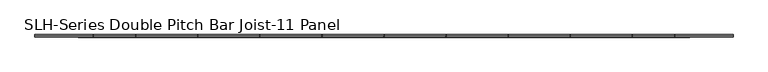
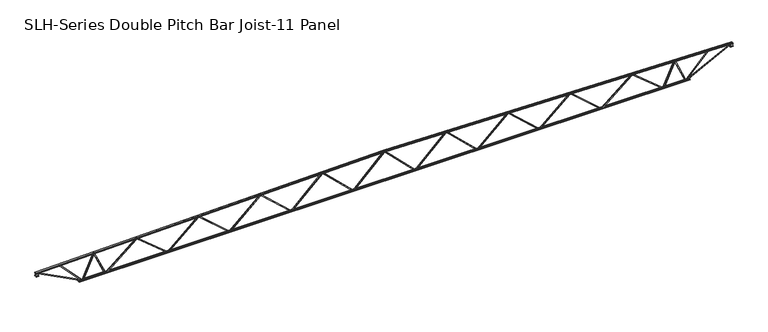
"""IFC4 building model written with IfcOpenShell, lengths in millimetres: beam geometry, SLH-Series Double Pitch Bar Joist-11 Panel."""

from ifc_helpers import new_model, si_unit, frame, origin, place, context, project, spatial, polyline, outline, extrude, faceted_brep, source, transform, mapped, element, save


def slh_series_double_pitch_bar_joist_11_panel_d93a10d2(model_context):
    return source(origin(), model_context, "Body", "SolidModel", [
        faceted_brep([(12801.6005483, 0.0, -863.6), (12801.6005483, 0.0, -914.4), (12801.6005483, -12.7, -914.4), (12801.6005483, -12.7, -863.6), (12817.8412945, 0.0, -863.6), (14596.0777309, 0.0, 610.4397819), (14656.3233291, 0.0, 609.1851802), (14655.2656592, 0.0, 558.3961918), (14613.9332808, 0.0, 559.2569298), (12836.1587055, 0.0, -914.4), (12836.1587055, -12.7, -914.4), (12905.2963134, -12.7, -857.0895196), (12897.1913876, -12.7, -847.3119853), (14592.0008334, -12.7, 557.572368), (14600.1057592, -12.7, 547.7948337), (14613.9332808, -12.7, 559.2569298), (14655.2656592, -12.7, 558.3961918), (14656.3233291, -12.7, 609.1851802), (14596.0777309, -12.7, 610.4397819), (12817.8412945, -12.7, -863.6), (14600.1057592, -50.8, 547.7948337), (12905.2963134, -50.8, -857.0895196), (12897.1913876, -50.8, -847.3119853), (14592.0008334, -50.8, 557.572368)], [[[0, 1, 2, 3]], [[1, 0, 4, 5, 6, 7, 8, 9]], [[2, 1, 9, 10]], [[3, 2, 10, 11, 12, 13, 14, 15, 16, 17, 18, 19]], [[0, 3, 19, 4]], [[9, 8, 15, 14, 20, 21, 11, 10]], [[5, 4, 19, 18]], [[7, 6, 17, 16]], [[8, 7, 16, 15]], [[6, 5, 18, 17]], [[11, 21, 22, 12]], [[13, 23, 20, 14]], [[22, 21, 20, 23]], [[12, 22, 23, 13]]]),
        faceted_brep([(16459.200586, 12.7, -863.6), (16459.200586, 0.0, -863.6), (16459.200586, 0.0, -914.4), (16459.200586, 12.7, -914.4), (16442.9536443, 12.7, -863.6), (16442.9536443, 0.0, -863.6), (14665.1773799, 0.0, 609.0007964), (14605.5343408, 0.0, 610.24285), (14604.4766709, 0.0, 559.4538617), (14646.4116084, 0.0, 558.5805756), (16424.6463557, 0.0, -914.4), (16424.6463557, 12.7, -914.4), (16355.4885392, 12.7, -857.1139074), (16363.5900161, 12.7, -847.3335152), (14668.3446486, 12.7, 556.9037492), (14660.2431717, 12.7, 547.123357), (14646.4116084, 12.7, 558.5805756), (14604.4766709, 12.7, 559.4538617), (14605.5343408, 12.7, 610.24285), (14665.1773799, 12.7, 609.0007964), (16355.4885392, 50.8, -857.1139074), (16363.5900161, 50.8, -847.3335152), (14660.2431717, 50.8, 547.123357), (14668.3446486, 50.8, 556.9037492)], [[[0, 1, 2, 3]], [[1, 0, 4, 5]], [[2, 1, 5, 6, 7, 8, 9, 10]], [[3, 2, 10, 11]], [[0, 3, 11, 12, 13, 14, 15, 16, 17, 18, 19, 4]], [[5, 4, 19, 6]], [[8, 7, 18, 17]], [[7, 6, 19, 18]], [[9, 8, 17, 16]], [[20, 21, 13, 12]], [[22, 15, 14, 23]], [[21, 20, 22, 23]], [[13, 21, 23, 14]], [[20, 12, 11, 10, 9, 16, 15, 22]]]),
        faceted_brep([(9144.0005483, 0.0, -863.6), (9144.0005483, 0.0, -914.4), (9144.0005483, -12.7, -914.4), (9144.0005483, -12.7, -863.6), (9159.8828503, 0.0, -863.6), (10938.116566, 0.0, 686.6160461), (10998.7233291, 0.0, 685.3539232), (10997.6656592, 0.0, 634.5649348), (10956.6944457, 0.0, 635.4181517), (9178.9171497, 0.0, -914.4), (9178.9171497, -12.7, -914.4), (9246.6086066, -12.7, -855.3884192), (9238.2631088, -12.7, -845.8154016), (10934.8106565, -12.7, 633.1888531), (10943.1561543, -12.7, 623.6158355), (10956.6944457, -12.7, 635.4181517), (10997.6656592, -12.7, 634.5649348), (10998.7233291, -12.7, 685.3539232), (10938.116566, -12.7, 686.6160461), (9159.8828503, -12.7, -863.6), (10943.1561543, -50.8, 623.6158355), (9246.6086066, -50.8, -855.3884192), (9238.2631088, -50.8, -845.8154016), (10934.8106565, -50.8, 633.1888531)], [[[0, 1, 2, 3]], [[1, 0, 4, 5, 6, 7, 8, 9]], [[2, 1, 9, 10]], [[3, 2, 10, 11, 12, 13, 14, 15, 16, 17, 18, 19]], [[0, 3, 19, 4]], [[9, 8, 15, 14, 20, 21, 11, 10]], [[5, 4, 19, 18]], [[7, 6, 17, 16]], [[8, 7, 16, 15]], [[6, 5, 18, 17]], [[11, 21, 22, 12]], [[13, 23, 20, 14]], [[22, 21, 20, 23]], [[12, 22, 23, 13]]]),
        faceted_brep([(12801.600586, 12.7, -863.6), (12801.600586, 0.0, -863.6), (12801.600586, 0.0, -914.4), (12801.600586, 12.7, -914.4), (12785.7122535, 12.7, -863.6), (12785.7122535, 0.0, -863.6), (11007.9332225, 0.0, 685.1621291), (10947.9343408, 0.0, 686.4115931), (10946.8766709, 0.0, 635.6226047), (10988.4557659, 0.0, 634.7567289), (12766.6877465, 0.0, -914.4), (12766.6877465, 12.7, -914.4), (12698.9763422, 12.7, -855.4113085), (12707.3186029, 12.7, -845.8354699), (11010.3403075, 12.7, 632.5348293), (11001.9980467, 12.7, 622.9589906), (10988.4557659, 12.7, 634.7567289), (10946.8766709, 12.7, 635.6226047), (10947.9343408, 12.7, 686.4115931), (11007.9332225, 12.7, 685.1621291), (12698.9763422, 50.8, -855.4113085), (12707.3186029, 50.8, -845.8354699), (11001.9980467, 50.8, 622.9589906), (11010.3403075, 50.8, 632.5348293)], [[[0, 1, 2, 3]], [[1, 0, 4, 5]], [[2, 1, 5, 6, 7, 8, 9, 10]], [[3, 2, 10, 11]], [[0, 3, 11, 12, 13, 14, 15, 16, 17, 18, 19, 4]], [[5, 4, 19, 6]], [[8, 7, 18, 17]], [[7, 6, 19, 18]], [[9, 8, 17, 16]], [[20, 21, 13, 12]], [[22, 15, 14, 23]], [[21, 20, 22, 23]], [[13, 21, 23, 14]], [[20, 12, 11, 10, 9, 16, 15, 22]]]),
        faceted_brep([(5486.4005483, 0.0, -863.6), (5486.4005483, 0.0, -914.4), (5486.4005483, -12.7, -914.4), (5486.4005483, -12.7, -863.6), (5501.9361494, 0.0, -863.6), (7280.1671323, 0.0, 762.792066), (7341.1233291, 0.0, 761.5226662), (7340.0656592, 0.0, 710.7336778), (7299.4438793, 0.0, 711.5796178), (5521.6638506, 0.0, -914.4), (5521.6638506, -12.7, -914.4), (5587.9299471, -12.7, -853.792208), (5579.3587109, -12.7, -844.4207667), (7277.6194239, -12.7, 708.8295006), (7286.19066, -12.7, 699.4580594), (7299.4438793, -12.7, 711.5796178), (7340.0656592, -12.7, 710.7336778), (7341.1233291, -12.7, 761.5226662), (7280.1671323, -12.7, 762.792066), (5501.9361494, -12.7, -863.6), (7286.19066, -50.8, 699.4580594), (5587.9299471, -50.8, -853.792208), (5579.3587109, -50.8, -844.4207667), (7277.6194239, -50.8, 708.8295006)], [[[0, 1, 2, 3]], [[1, 0, 4, 5, 6, 7, 8, 9]], [[2, 1, 9, 10]], [[3, 2, 10, 11, 12, 13, 14, 15, 16, 17, 18, 19]], [[0, 3, 19, 4]], [[9, 8, 15, 14, 20, 21, 11, 10]], [[5, 4, 19, 18]], [[7, 6, 17, 16]], [[8, 7, 16, 15]], [[6, 5, 18, 17]], [[11, 21, 22, 12]], [[13, 23, 20, 14]], [[22, 21, 20, 23]], [[12, 22, 23, 13]]]),
        faceted_brep([(9144.000586, 12.7, -863.6), (9144.000586, 0.0, -863.6), (9144.000586, 0.0, -914.4), (9144.000586, 12.7, -914.4), (9128.4591155, 12.7, -863.6), (9128.4591155, 0.0, -863.6), (7350.6773093, 0.0, 761.3237066), (7290.3343408, 0.0, 762.5803361), (7289.2766709, 0.0, 711.7913477), (7330.511679, 0.0, 710.9326375), (9108.7408845, 0.0, -914.4), (9108.7408845, 12.7, -914.4), (9042.4551543, 12.7, -853.8136817), (9051.0233536, 12.7, -844.4394638), (7352.3370244, 12.7, 708.1895917), (7343.768825, 12.7, 698.8153738), (7330.511679, 12.7, 710.9326375), (7289.2766709, 12.7, 711.7913477), (7290.3343408, 12.7, 762.5803361), (7350.6773093, 12.7, 761.3237066), (9042.4551543, 50.8, -853.8136817), (9051.0233536, 50.8, -844.4394638), (7343.768825, 50.8, 698.8153738), (7352.3370244, 50.8, 708.1895917)], [[[0, 1, 2, 3]], [[1, 0, 4, 5]], [[2, 1, 5, 6, 7, 8, 9, 10]], [[3, 2, 10, 11]], [[0, 3, 11, 12, 13, 14, 15, 16, 17, 18, 19, 4]], [[5, 4, 19, 6]], [[8, 7, 18, 17]], [[7, 6, 19, 18]], [[9, 8, 17, 16]], [[20, 21, 13, 12]], [[22, 15, 14, 23]], [[21, 20, 22, 23]], [[13, 21, 23, 14]], [[20, 12, 11, 10, 9, 16, 15, 22]]]),
        faceted_brep([(1828.8005483, 0.0, -863.6), (1828.8005483, 0.0, -914.4), (1828.8005483, -12.7, -914.4), (1828.8005483, -12.7, -863.6), (1844.0009054, 0.0, -863.6), (3622.2291509, 0.0, 838.9678474), (3683.5233291, 0.0, 837.6914092), (3682.4656592, 0.0, 786.9024209), (3642.1818608, 0.0, 787.7413224), (1864.3990946, 0.0, -914.4), (1864.3990946, -12.7, -914.4), (1929.2640419, -12.7, -852.294939), (1920.48106, -12.7, -843.1216501), (3620.4258893, -12.7, 784.493599), (3629.2088713, -12.7, 775.3203102), (3642.1818608, -12.7, 787.7413224), (3682.4656592, -12.7, 786.9024209), (3683.5233291, -12.7, 837.6914092), (3622.2291509, -12.7, 838.9678474), (1844.0009054, -12.7, -863.6), (3629.2088713, -50.8, 775.3203102), (1929.2640419, -50.8, -852.294939), (1920.48106, -50.8, -843.1216501), (3620.4258893, -50.8, 784.493599)], [[[0, 1, 2, 3]], [[1, 0, 4, 5, 6, 7, 8, 9]], [[2, 1, 9, 10]], [[3, 2, 10, 11, 12, 13, 14, 15, 16, 17, 18, 19]], [[0, 3, 19, 4]], [[9, 8, 15, 14, 20, 21, 11, 10]], [[5, 4, 19, 18]], [[7, 6, 17, 16]], [[8, 7, 16, 15]], [[6, 5, 18, 17]], [[11, 21, 22, 12]], [[13, 23, 20, 14]], [[22, 21, 20, 23]], [[12, 22, 23, 13]]]),
        faceted_brep([(5486.400586, 12.7, -863.6), (5486.400586, 0.0, -863.6), (5486.400586, 0.0, -914.4), (5486.400586, 12.7, -914.4), (5471.1945165, 12.7, -863.6), (5471.1945165, 0.0, -863.6), (3693.4099343, 0.0, 837.4855227), (3632.7343408, 0.0, 838.7490791), (3631.6766709, 0.0, 787.9600907), (3672.579054, 0.0, 787.1083073), (5450.8054835, 0.0, -914.4), (5450.8054835, 12.7, -914.4), (5385.9212589, 12.7, -852.3150791), (5394.7013926, 12.7, -843.1390641), (3694.3360327, 12.7, 783.8673382), (3685.555899, 12.7, 774.6913231), (3672.579054, 12.7, 787.1083073), (3631.6766709, 12.7, 787.9600907), (3632.7343408, 12.7, 838.7490791), (3693.4099343, 12.7, 837.4855227), (5385.9212589, 50.8, -852.3150791), (5394.7013926, 50.8, -843.1390641), (3685.555899, 50.8, 774.6913231), (3694.3360327, 50.8, 783.8673382)], [[[0, 1, 2, 3]], [[1, 0, 4, 5]], [[2, 1, 5, 6, 7, 8, 9, 10]], [[3, 2, 10, 11]], [[0, 3, 11, 12, 13, 14, 15, 16, 17, 18, 19, 4]], [[5, 4, 19, 6]], [[8, 7, 18, 17]], [[7, 6, 19, 18]], [[9, 8, 17, 16]], [[20, 21, 13, 12]], [[22, 15, 14, 23]], [[21, 20, 22, 23]], [[13, 21, 23, 14]], [[20, 12, 11, 10, 9, 16, 15, 22]]]),
        faceted_brep([(-1828.8005483, 0.0, -863.6), (-1828.8005483, 0.0, -914.4), (-1828.8005483, 12.7, -914.4), (-1828.8005483, 12.7, -863.6), (-1844.0009054, 0.0, -863.6), (-3622.2291509, 0.0, 838.9678474), (-3683.5233291, 0.0, 837.6914092), (-3682.4656592, 0.0, 786.9024209), (-3642.1818608, 0.0, 787.7413224), (-1864.3990946, 0.0, -914.4), (-1864.3990946, 12.7, -914.4), (-1929.2640419, 12.7, -852.294939), (-1920.48106, 12.7, -843.1216501), (-3620.4258893, 12.7, 784.493599), (-3629.2088713, 12.7, 775.3203102), (-3642.1818608, 12.7, 787.7413224), (-3682.4656592, 12.7, 786.9024209), (-3683.5233291, 12.7, 837.6914092), (-3622.2291509, 12.7, 838.9678474), (-1844.0009054, 12.7, -863.6), (-3629.2088713, 50.8, 775.3203102), (-1929.2640419, 50.8, -852.294939), (-1920.48106, 50.8, -843.1216501), (-3620.4258893, 50.8, 784.493599)], [[[0, 1, 2, 3]], [[1, 0, 4, 5, 6, 7, 8, 9]], [[2, 1, 9, 10]], [[3, 2, 10, 11, 12, 13, 14, 15, 16, 17, 18, 19]], [[0, 3, 19, 4]], [[9, 8, 15, 14, 20, 21, 11, 10]], [[5, 4, 19, 18]], [[7, 6, 17, 16]], [[8, 7, 16, 15]], [[6, 5, 18, 17]], [[11, 21, 22, 12]], [[13, 23, 20, 14]], [[22, 21, 20, 23]], [[12, 22, 23, 13]]]),
        faceted_brep([(-5486.400586, -12.7, -863.6), (-5486.400586, 0.0, -863.6), (-5486.400586, 0.0, -914.4), (-5486.400586, -12.7, -914.4), (-5471.1945165, -12.7, -863.6), (-5471.1945165, 0.0, -863.6), (-3693.4099343, 0.0, 837.4855227), (-3632.7343408, 0.0, 838.7490791), (-3631.6766709, 0.0, 787.9600907), (-3672.579054, 0.0, 787.1083073), (-5450.8054835, 0.0, -914.4), (-5450.8054835, -12.7, -914.4), (-5385.9212589, -12.7, -852.3150791), (-5394.7013926, -12.7, -843.1390641), (-3694.3360327, -12.7, 783.8673382), (-3685.555899, -12.7, 774.6913231), (-3672.579054, -12.7, 787.1083073), (-3631.6766709, -12.7, 787.9600907), (-3632.7343408, -12.7, 838.7490791), (-3693.4099343, -12.7, 837.4855227), (-5385.9212589, -50.8, -852.3150791), (-5394.7013926, -50.8, -843.1390641), (-3685.555899, -50.8, 774.6913231), (-3694.3360327, -50.8, 783.8673382)], [[[0, 1, 2, 3]], [[1, 0, 4, 5]], [[2, 1, 5, 6, 7, 8, 9, 10]], [[3, 2, 10, 11]], [[0, 3, 11, 12, 13, 14, 15, 16, 17, 18, 19, 4]], [[5, 4, 19, 6]], [[8, 7, 18, 17]], [[7, 6, 19, 18]], [[9, 8, 17, 16]], [[20, 21, 13, 12]], [[22, 15, 14, 23]], [[21, 20, 22, 23]], [[13, 21, 23, 14]], [[20, 12, 11, 10, 9, 16, 15, 22]]]),
        faceted_brep([(-5486.4005483, 0.0, -863.6), (-5486.4005483, 0.0, -914.4), (-5486.4005483, 12.7, -914.4), (-5486.4005483, 12.7, -863.6), (-5501.9361494, 0.0, -863.6), (-7280.1671323, 0.0, 762.792066), (-7341.1233291, 0.0, 761.5226662), (-7340.0656592, 0.0, 710.7336778), (-7299.4438793, 0.0, 711.5796178), (-5521.6638506, 0.0, -914.4), (-5521.6638506, 12.7, -914.4), (-5587.9299471, 12.7, -853.792208), (-5579.3587109, 12.7, -844.4207667), (-7277.6194239, 12.7, 708.8295006), (-7286.19066, 12.7, 699.4580594), (-7299.4438793, 12.7, 711.5796178), (-7340.0656592, 12.7, 710.7336778), (-7341.1233291, 12.7, 761.5226662), (-7280.1671323, 12.7, 762.792066), (-5501.9361494, 12.7, -863.6), (-7286.19066, 50.8, 699.4580594), (-5587.9299471, 50.8, -853.792208), (-5579.3587109, 50.8, -844.4207667), (-7277.6194239, 50.8, 708.8295006)], [[[0, 1, 2, 3]], [[1, 0, 4, 5, 6, 7, 8, 9]], [[2, 1, 9, 10]], [[3, 2, 10, 11, 12, 13, 14, 15, 16, 17, 18, 19]], [[0, 3, 19, 4]], [[9, 8, 15, 14, 20, 21, 11, 10]], [[5, 4, 19, 18]], [[7, 6, 17, 16]], [[8, 7, 16, 15]], [[6, 5, 18, 17]], [[11, 21, 22, 12]], [[13, 23, 20, 14]], [[22, 21, 20, 23]], [[12, 22, 23, 13]]]),
        faceted_brep([(-9144.000586, -12.7, -863.6), (-9144.000586, 0.0, -863.6), (-9144.000586, 0.0, -914.4), (-9144.000586, -12.7, -914.4), (-9128.4591155, -12.7, -863.6), (-9128.4591155, 0.0, -863.6), (-7350.6773093, 0.0, 761.3237066), (-7290.3343408, 0.0, 762.5803361), (-7289.2766709, 0.0, 711.7913477), (-7330.511679, 0.0, 710.9326375), (-9108.7408845, 0.0, -914.4), (-9108.7408845, -12.7, -914.4), (-9042.4551543, -12.7, -853.8136817), (-9051.0233536, -12.7, -844.4394638), (-7352.3370244, -12.7, 708.1895917), (-7343.768825, -12.7, 698.8153738), (-7330.511679, -12.7, 710.9326375), (-7289.2766709, -12.7, 711.7913477), (-7290.3343408, -12.7, 762.5803361), (-7350.6773093, -12.7, 761.3237066), (-9042.4551543, -50.8, -853.8136817), (-9051.0233536, -50.8, -844.4394638), (-7343.768825, -50.8, 698.8153738), (-7352.3370244, -50.8, 708.1895917)], [[[0, 1, 2, 3]], [[1, 0, 4, 5]], [[2, 1, 5, 6, 7, 8, 9, 10]], [[3, 2, 10, 11]], [[0, 3, 11, 12, 13, 14, 15, 16, 17, 18, 19, 4]], [[5, 4, 19, 6]], [[8, 7, 18, 17]], [[7, 6, 19, 18]], [[9, 8, 17, 16]], [[20, 21, 13, 12]], [[22, 15, 14, 23]], [[21, 20, 22, 23]], [[13, 21, 23, 14]], [[20, 12, 11, 10, 9, 16, 15, 22]]]),
        faceted_brep([(-9144.0005483, 0.0, -863.6), (-9144.0005483, 0.0, -914.4), (-9144.0005483, 12.7, -914.4), (-9144.0005483, 12.7, -863.6), (-9159.8828503, 0.0, -863.6), (-10938.116566, 0.0, 686.6160461), (-10998.7233291, 0.0, 685.3539232), (-10997.6656592, 0.0, 634.5649348), (-10956.6944457, 0.0, 635.4181517), (-9178.9171497, 0.0, -914.4), (-9178.9171497, 12.7, -914.4), (-9246.6086066, 12.7, -855.3884192), (-9238.2631088, 12.7, -845.8154016), (-10934.8106565, 12.7, 633.1888531), (-10943.1561543, 12.7, 623.6158355), (-10956.6944457, 12.7, 635.4181517), (-10997.6656592, 12.7, 634.5649348), (-10998.7233291, 12.7, 685.3539232), (-10938.116566, 12.7, 686.6160461), (-9159.8828503, 12.7, -863.6), (-10943.1561543, 50.8, 623.6158355), (-9246.6086066, 50.8, -855.3884192), (-9238.2631088, 50.8, -845.8154016), (-10934.8106565, 50.8, 633.1888531)], [[[0, 1, 2, 3]], [[1, 0, 4, 5, 6, 7, 8, 9]], [[2, 1, 9, 10]], [[3, 2, 10, 11, 12, 13, 14, 15, 16, 17, 18, 19]], [[0, 3, 19, 4]], [[9, 8, 15, 14, 20, 21, 11, 10]], [[5, 4, 19, 18]], [[7, 6, 17, 16]], [[8, 7, 16, 15]], [[6, 5, 18, 17]], [[11, 21, 22, 12]], [[13, 23, 20, 14]], [[22, 21, 20, 23]], [[12, 22, 23, 13]]]),
        faceted_brep([(-12801.600586, -12.7, -863.6), (-12801.600586, 0.0, -863.6), (-12801.600586, 0.0, -914.4), (-12801.600586, -12.7, -914.4), (-12785.7122535, -12.7, -863.6), (-12785.7122535, 0.0, -863.6), (-11007.9332225, 0.0, 685.1621291), (-10947.9343408, 0.0, 686.4115931), (-10946.8766709, 0.0, 635.6226047), (-10988.4557659, 0.0, 634.7567289), (-12766.6877465, 0.0, -914.4), (-12766.6877465, -12.7, -914.4), (-12698.9763422, -12.7, -855.4113085), (-12707.3186029, -12.7, -845.8354699), (-11010.3403075, -12.7, 632.5348293), (-11001.9980467, -12.7, 622.9589906), (-10988.4557659, -12.7, 634.7567289), (-10946.8766709, -12.7, 635.6226047), (-10947.9343408, -12.7, 686.4115931), (-11007.9332225, -12.7, 685.1621291), (-12698.9763422, -50.8, -855.4113085), (-12707.3186029, -50.8, -845.8354699), (-11001.9980467, -50.8, 622.9589906), (-11010.3403075, -50.8, 632.5348293)], [[[0, 1, 2, 3]], [[1, 0, 4, 5]], [[2, 1, 5, 6, 7, 8, 9, 10]], [[3, 2, 10, 11]], [[0, 3, 11, 12, 13, 14, 15, 16, 17, 18, 19, 4]], [[5, 4, 19, 6]], [[8, 7, 18, 17]], [[7, 6, 19, 18]], [[9, 8, 17, 16]], [[20, 21, 13, 12]], [[22, 15, 14, 23]], [[21, 20, 22, 23]], [[13, 21, 23, 14]], [[20, 12, 11, 10, 9, 16, 15, 22]]]),
        faceted_brep([(-12801.6005483, 0.0, -863.6), (-12801.6005483, 0.0, -914.4), (-12801.6005483, 12.7, -914.4), (-12801.6005483, 12.7, -863.6), (-12817.8412945, 0.0, -863.6), (-14596.0777309, 0.0, 610.4397819), (-14656.3233291, 0.0, 609.1851802), (-14655.2656592, 0.0, 558.3961918), (-14613.9332808, 0.0, 559.2569298), (-12836.1587055, 0.0, -914.4), (-12836.1587055, 12.7, -914.4), (-12905.2963134, 12.7, -857.0895196), (-12897.1913876, 12.7, -847.3119853), (-14592.0008334, 12.7, 557.572368), (-14600.1057592, 12.7, 547.7948337), (-14613.9332808, 12.7, 559.2569298), (-14655.2656592, 12.7, 558.3961918), (-14656.3233291, 12.7, 609.1851802), (-14596.0777309, 12.7, 610.4397819), (-12817.8412945, 12.7, -863.6), (-14600.1057592, 50.8, 547.7948337), (-12905.2963134, 50.8, -857.0895196), (-12897.1913876, 50.8, -847.3119853), (-14592.0008334, 50.8, 557.572368)], [[[0, 1, 2, 3]], [[1, 0, 4, 5, 6, 7, 8, 9]], [[2, 1, 9, 10]], [[3, 2, 10, 11, 12, 13, 14, 15, 16, 17, 18, 19]], [[0, 3, 19, 4]], [[9, 8, 15, 14, 20, 21, 11, 10]], [[5, 4, 19, 18]], [[7, 6, 17, 16]], [[8, 7, 16, 15]], [[6, 5, 18, 17]], [[11, 21, 22, 12]], [[13, 23, 20, 14]], [[22, 21, 20, 23]], [[12, 22, 23, 13]]]),
        faceted_brep([(-16459.200586, -12.7, -863.6), (-16459.200586, 0.0, -863.6), (-16459.200586, 0.0, -914.4), (-16459.200586, -12.7, -914.4), (-16442.9536443, -12.7, -863.6), (-16442.9536443, 0.0, -863.6), (-14665.1773799, 0.0, 609.0007964), (-14605.5343408, 0.0, 610.24285), (-14604.4766709, 0.0, 559.4538617), (-14646.4116084, 0.0, 558.5805756), (-16424.6463557, 0.0, -914.4), (-16424.6463557, -12.7, -914.4), (-16355.4885392, -12.7, -857.1139074), (-16363.5900161, -12.7, -847.3335152), (-14668.3446486, -12.7, 556.9037492), (-14660.2431717, -12.7, 547.123357), (-14646.4116084, -12.7, 558.5805756), (-14604.4766709, -12.7, 559.4538617), (-14605.5343408, -12.7, 610.24285), (-14665.1773799, -12.7, 609.0007964), (-16355.4885392, -50.8, -857.1139074), (-16363.5900161, -50.8, -847.3335152), (-14660.2431717, -50.8, 547.123357), (-14668.3446486, -50.8, 556.9037492)], [[[0, 1, 2, 3]], [[1, 0, 4, 5]], [[2, 1, 5, 6, 7, 8, 9, 10]], [[3, 2, 10, 11]], [[0, 3, 11, 12, 13, 14, 15, 16, 17, 18, 19, 4]], [[5, 4, 19, 6]], [[8, 7, 18, 17]], [[7, 6, 19, 18]], [[9, 8, 17, 16]], [[20, 21, 13, 12]], [[22, 15, 14, 23]], [[21, 20, 22, 23]], [[13, 21, 23, 14]], [[20, 12, 11, 10, 9, 16, 15, 22]]]),
        faceted_brep([(1828.7994517, 0.0, -863.6), (1828.7994517, 0.0, -914.4), (1828.7994517, 12.7, -914.4), (1828.7994517, 12.7, -863.6), (1813.9210245, 0.0, -863.6), (35.9210245, 0.0, 914.4), (-25.4, 0.0, 914.4), (-25.4, 0.0, 863.6), (14.8789755, 0.0, 863.6), (1792.8789755, 0.0, -914.4), (1792.8789755, 12.7, -914.4), (1729.3789755, 12.7, -850.9), (1738.3592316, 12.7, -841.9197439), (36.5592316, 12.7, 859.8802561), (27.5789755, 12.7, 850.9), (14.8789755, 12.7, 863.6), (-25.4, 12.7, 863.6), (-25.4, 12.7, 914.4), (35.9210245, 12.7, 914.4), (1813.9210245, 12.7, -863.6), (27.5789755, 50.8, 850.9), (1729.3789755, 50.8, -850.9), (1738.3592316, 50.8, -841.9197439), (36.5592316, 50.8, 859.8802561)], [[[0, 1, 2, 3]], [[1, 0, 4, 5, 6, 7, 8, 9]], [[2, 1, 9, 10]], [[3, 2, 10, 11, 12, 13, 14, 15, 16, 17, 18, 19]], [[0, 3, 19, 4]], [[9, 8, 15, 14, 20, 21, 11, 10]], [[5, 4, 19, 18]], [[7, 6, 17, 16]], [[8, 7, 16, 15]], [[6, 5, 18, 17]], [[11, 21, 22, 12]], [[13, 23, 20, 14]], [[22, 21, 20, 23]], [[12, 22, 23, 13]]]),
        faceted_brep([(-1828.800586, -12.7, -863.6), (-1828.800586, 0.0, -863.6), (-1828.800586, 0.0, -914.4), (-1828.800586, -12.7, -914.4), (-1813.9210245, -12.7, -863.6), (-1813.9210245, 0.0, -863.6), (-35.9210245, 0.0, 914.4), (25.4, 0.0, 914.4), (25.4, 0.0, 863.6), (-14.8789755, 0.0, 863.6), (-1792.8789755, 0.0, -914.4), (-1792.8789755, -12.7, -914.4), (-1729.3789755, -12.7, -850.9), (-1738.3592316, -12.7, -841.9197439), (-36.5592316, -12.7, 859.8802561), (-27.5789755, -12.7, 850.9), (-14.8789755, -12.7, 863.6), (25.4, -12.7, 863.6), (25.4, -12.7, 914.4), (-35.9210245, -12.7, 914.4), (-1729.3789755, -50.8, -850.9), (-1738.3592316, -50.8, -841.9197439), (-27.5789755, -50.8, 850.9), (-36.5592316, -50.8, 859.8802561)], [[[0, 1, 2, 3]], [[1, 0, 4, 5]], [[2, 1, 5, 6, 7, 8, 9, 10]], [[3, 2, 10, 11]], [[0, 3, 11, 12, 13, 14, 15, 16, 17, 18, 19, 4]], [[5, 4, 19, 6]], [[8, 7, 18, 17]], [[7, 6, 19, 18]], [[9, 8, 17, 16]], [[20, 21, 13, 12]], [[22, 15, 14, 23]], [[21, 20, 22, 23]], [[13, 21, 23, 14]], [[20, 12, 11, 10, 9, 16, 15, 22]]]),
        faceted_brep([(16459.2005483, 0.0, -863.6), (16459.2005483, 0.0, -914.4), (16459.2005483, -12.7, -914.4), (16459.2005483, -12.7, -863.6), (16468.1217319, 0.0, -863.6), (17103.0000297, 0.0, 558.8200941), (17170.8740992, 0.0, 556.4498794), (17169.1012048, 0.0, 505.6808253), (17135.4371663, 0.0, 506.8563995), (16501.0782681, 0.0, -914.4), (16501.0782681, -12.7, -914.4), (16537.680076, -12.7, -832.3950754), (16526.0828283, -12.7, -827.2187981), (17116.5195571, -12.7, 495.6316919), (17128.1168047, -12.7, 490.4554145), (17135.4371663, -12.7, 506.8563995), (17169.1012048, -12.7, 505.6808253), (17170.8740992, -12.7, 556.4498794), (17103.0000297, -12.7, 558.8200941), (16468.1217319, -12.7, -863.6), (17128.1168047, -50.8, 490.4554145), (16537.680076, -50.8, -832.3950754), (16526.0828283, -50.8, -827.2187981), (17116.5195571, -50.8, 495.6316919)], [[[0, 1, 2, 3]], [[1, 0, 4, 5, 6, 7, 8, 9]], [[2, 1, 9, 10]], [[3, 2, 10, 11, 12, 13, 14, 15, 16, 17, 18, 19]], [[0, 3, 19, 4]], [[9, 8, 15, 14, 20, 21, 11, 10]], [[5, 4, 19, 18]], [[7, 6, 17, 16]], [[8, 7, 16, 15]], [[6, 5, 18, 17]], [[11, 21, 22, 12]], [[13, 23, 20, 14]], [[22, 21, 20, 23]], [[12, 22, 23, 13]]]),
        faceted_brep([(17830.006836, 12.7, -863.6), (17830.006836, 0.0, -863.6), (17830.006836, 0.0, -914.4), (17830.006836, 12.7, -914.4), (17821.0761362, 12.7, -863.6), (17821.0761362, 0.0, -863.6), (17186.7116113, 0.0, 555.8968213), (17120.1050452, 0.0, 558.2227738), (17118.3321508, 0.0, 507.4537198), (17153.2636927, 0.0, 506.2338835), (17788.1363638, 0.0, -914.4), (17788.1363638, 12.7, -914.4), (17751.496463, 12.7, -832.4120883), (17763.0913047, 12.7, -827.2304238), (17172.1865145, 12.7, 495.0179656), (17160.5916729, 12.7, 489.8363011), (17153.2636927, 12.7, 506.2338835), (17118.3321508, 12.7, 507.4537198), (17120.1050452, 12.7, 558.2227738), (17186.7116113, 12.7, 555.8968213), (17751.496463, 50.8, -832.4120883), (17763.0913047, 50.8, -827.2304238), (17160.5916729, 50.8, 489.8363011), (17172.1865145, 50.8, 495.0179656)], [[[0, 1, 2, 3]], [[1, 0, 4, 5]], [[2, 1, 5, 6, 7, 8, 9, 10]], [[3, 2, 10, 11]], [[0, 3, 11, 12, 13, 14, 15, 16, 17, 18, 19, 4]], [[5, 4, 19, 6]], [[8, 7, 18, 17]], [[7, 6, 19, 18]], [[9, 8, 17, 16]], [[20, 21, 13, 12]], [[22, 15, 14, 23]], [[21, 20, 22, 23]], [[13, 21, 23, 14]], [[20, 12, 11, 10, 9, 16, 15, 22]]]),
        faceted_brep([(-16459.2005483, 0.0, -863.6), (-16459.2005483, 0.0, -914.4), (-16459.2005483, 12.7, -914.4), (-16459.2005483, 12.7, -863.6), (-16468.1217319, 0.0, -863.6), (-17103.0000297, 0.0, 558.8200941), (-17170.8740992, 0.0, 556.4498794), (-17169.1012048, 0.0, 505.6808253), (-17135.4371663, 0.0, 506.8563995), (-16501.0782681, 0.0, -914.4), (-16501.0782681, 12.7, -914.4), (-16537.680076, 12.7, -832.3950754), (-16526.0828283, 12.7, -827.2187981), (-17116.5195571, 12.7, 495.6316919), (-17128.1168047, 12.7, 490.4554145), (-17135.4371663, 12.7, 506.8563995), (-17169.1012048, 12.7, 505.6808253), (-17170.8740992, 12.7, 556.4498794), (-17103.0000297, 12.7, 558.8200941), (-16468.1217319, 12.7, -863.6), (-17128.1168047, 50.8, 490.4554145), (-16537.680076, 50.8, -832.3950754), (-16526.0828283, 50.8, -827.2187981), (-17116.5195571, 50.8, 495.6316919)], [[[0, 1, 2, 3]], [[1, 0, 4, 5, 6, 7, 8, 9]], [[2, 1, 9, 10]], [[3, 2, 10, 11, 12, 13, 14, 15, 16, 17, 18, 19]], [[0, 3, 19, 4]], [[9, 8, 15, 14, 20, 21, 11, 10]], [[5, 4, 19, 18]], [[7, 6, 17, 16]], [[8, 7, 16, 15]], [[6, 5, 18, 17]], [[11, 21, 22, 12]], [[13, 23, 20, 14]], [[22, 21, 20, 23]], [[12, 22, 23, 13]]]),
        faceted_brep([(-17830.006836, -12.7, -863.6), (-17830.006836, 0.0, -863.6), (-17830.006836, 0.0, -914.4), (-17830.006836, -12.7, -914.4), (-17821.0761362, -12.7, -863.6), (-17821.0761362, 0.0, -863.6), (-17186.7116113, 0.0, 555.8968213), (-17120.1050452, 0.0, 558.2227738), (-17118.3321508, 0.0, 507.4537198), (-17153.2636927, 0.0, 506.2338835), (-17788.1363638, 0.0, -914.4), (-17788.1363638, -12.7, -914.4), (-17751.496463, -12.7, -832.4120883), (-17763.0913047, -12.7, -827.2304238), (-17172.1865145, -12.7, 495.0179656), (-17160.5916729, -12.7, 489.8363011), (-17153.2636927, -12.7, 506.2338835), (-17118.3321508, -12.7, 507.4537198), (-17120.1050452, -12.7, 558.2227738), (-17186.7116113, -12.7, 555.8968213), (-17751.496463, -50.8, -832.4120883), (-17763.0913047, -50.8, -827.2304238), (-17160.5916729, -50.8, 489.8363011), (-17172.1865145, -50.8, 495.0179656)], [[[0, 1, 2, 3]], [[1, 0, 4, 5]], [[2, 1, 5, 6, 7, 8, 9, 10]], [[3, 2, 10, 11]], [[0, 3, 11, 12, 13, 14, 15, 16, 17, 18, 19, 4]], [[5, 4, 19, 6]], [[8, 7, 18, 17]], [[7, 6, 19, 18]], [[9, 8, 17, 16]], [[20, 21, 13, 12]], [[22, 15, 14, 23]], [[21, 20, 22, 23]], [[13, 21, 23, 14]], [[20, 12, 11, 10, 9, 16, 15, 22]]]),
        faceted_brep([(20420.80625, 25.4, 425.6410479), (20420.80625, 25.4, 308.1673503), (20420.80625, 76.2, 308.1673503), (20420.80625, 76.2, 295.4673503), (20420.80625, 12.7, 295.4673503), (20420.80625, 12.7, 425.6410479), (20573.20625, 25.4, 422.4673503), (20573.20625, 12.7, 422.4673503), (20573.20625, 12.7, 295.4673503), (20573.20625, 76.2, 295.4673503), (20573.20625, 76.2, 308.1673503), (20573.20625, 25.4, 308.1673503)], [[[0, 1, 2, 3, 4, 5]], [[6, 7, 8, 9, 10, 11]], [[6, 11, 1, 0]], [[11, 10, 2, 1]], [[10, 9, 3, 2]], [[9, 8, 4, 3]], [[8, 7, 5, 4]], [[7, 6, 0, 5]]]),
        faceted_brep([(20420.80625, -76.2, 308.1673503), (20420.80625, -25.4, 308.1673503), (20420.80625, -25.4, 425.6410479), (20420.80625, -12.7, 425.6410479), (20420.80625, -12.7, 295.4673503), (20420.80625, -76.2, 295.4673503), (20573.20625, -76.2, 308.1673503), (20573.20625, -76.2, 295.4673503), (20573.20625, -12.7, 295.4673503), (20573.20625, -12.7, 422.4673503), (20573.20625, -25.4, 422.4673503), (20573.20625, -25.4, 308.1673503)], [[[0, 1, 2, 3, 4, 5]], [[6, 7, 8, 9, 10, 11]], [[6, 11, 1, 0]], [[11, 10, 2, 1]], [[10, 9, 3, 2]], [[9, 8, 4, 3]], [[8, 7, 5, 4]], [[7, 6, 0, 5]]]),
        faceted_brep([(-20420.80625, -25.4, 425.6410479), (-20420.80625, -25.4, 308.1673503), (-20420.80625, -76.2, 308.1673503), (-20420.80625, -76.2, 295.4673503), (-20420.80625, -12.7, 295.4673503), (-20420.80625, -12.7, 425.6410479), (-20573.20625, -25.4, 422.4673503), (-20573.20625, -12.7, 422.4673503), (-20573.20625, -12.7, 295.4673503), (-20573.20625, -76.2, 295.4673503), (-20573.20625, -76.2, 308.1673503), (-20573.20625, -25.4, 308.1673503)], [[[0, 1, 2, 3, 4, 5]], [[6, 7, 8, 9, 10, 11]], [[6, 11, 1, 0]], [[11, 10, 2, 1]], [[10, 9, 3, 2]], [[9, 8, 4, 3]], [[8, 7, 5, 4]], [[7, 6, 0, 5]]]),
        faceted_brep([(-20420.80625, 25.4, 425.6410479), (-20420.80625, 12.7, 425.6410479), (-20420.80625, 12.7, 295.4673503), (-20420.80625, 76.2, 295.4673503), (-20420.80625, 76.2, 308.1673503), (-20420.80625, 25.4, 308.1673503), (-20573.20625, 25.4, 422.4673503), (-20573.20625, 25.4, 308.1673503), (-20573.20625, 76.2, 308.1673503), (-20573.20625, 76.2, 295.4673503), (-20573.20625, 12.7, 295.4673503), (-20573.20625, 12.7, 422.4673503)], [[[0, 1, 2, 3, 4, 5]], [[6, 7, 8, 9, 10, 11]], [[6, 11, 1, 0]], [[11, 10, 2, 1]], [[10, 9, 3, 2]], [[9, 8, 4, 3]], [[8, 7, 5, 4]], [[7, 6, 0, 5]]]),
        extrude(outline(polyline([(12.7, -914.4), (12.7, -850.9), (25.4, -850.9), (25.4, -901.7), (76.2, -901.7), (76.2, -914.4), (12.7, -914.4)])), frame((-18030.00625, 0.0, 0.0), z_axis=(1.0, 0.0, 0.0), x_axis=(0.0, 1.0, 0.0)), (0.0, 0.0, 1.0), 36060.0125),
        extrude(outline(polyline([(-12.7, -914.4), (-76.2, -914.4), (-76.2, -901.7), (-25.4, -901.7), (-25.4, -850.9), (-12.7, -850.9), (-12.7, -914.4)])), frame((-18030.00625, 0.0, 0.0), z_axis=(1.0, 0.0, 0.0), x_axis=(0.0, 1.0, 0.0)), (0.0, 0.0, 1.0), 36060.0125),
        extrude(outline(polyline([(6.35, -25.4), (-6.35, -25.4), (-6.35, 25.4), (6.35, 25.4), (6.35, -25.4)])), frame((-17830.00625, 0.0, -908.05), z_axis=(-0.6895247137315054, 0.0, 0.7242621549918825), x_axis=(0.0, -1.0, 0.0)), (0.0, 0.0, 1.0), 1878.6853817),
        extrude(outline(polyline([(0.0, -12.7), (0.0, 0.0), (2913.9276852, 0.0), (2913.9276852, -12.7), (0.0, -12.7)])), frame((-20432.4317048, 6.35, 403.0569624), z_axis=(0.45769507034842116, 0.0, 0.8891092298355439), x_axis=(0.8891092298355439, 0.0, -0.45769507034842116)), (0.0, 0.0, 1.0), 50.8),
        extrude(outline(polyline([(6.35, 25.4), (6.35, -25.4), (-6.35, -25.4), (-6.35, 25.4), (6.35, 25.4)])), frame((17830.00625, 0.0, -908.05), z_axis=(0.6895211218841694, 0.0, 0.7242655745481739), x_axis=(0.0, -1.0, 0.0)), (0.0, 0.0, 1.0), 1878.6951681),
        extrude(outline(polyline([(0.0, -12.7), (0.0, 0.0), (2913.9283362, 0.0), (2913.9283362, -12.7), (0.0, -12.7)])), frame((17841.6317146, -6.35, -930.6333694), z_axis=(-0.45769545621328495, 0.0, 0.8891090312001746), x_axis=(0.8891090312001746, 0.0, 0.45769545621328495)), (0.0, 0.0, 1.0), 50.8),
        faceted_brep([(20573.20625, 76.2, 485.9673503), (20573.20625, 12.7, 485.9673503), (20573.20625, 12.7, 422.4673503), (20573.20625, 25.4, 422.4673503), (20573.20625, 25.4, 473.2673503), (20573.20625, 76.2, 473.2673503), (4.6101, 76.2, 901.7), (-20573.20625, 76.2, 473.2673503), (-20573.20625, 76.2, 485.9673503), (4.6101, 76.2, 914.4), (4.6101, 25.4, 901.7), (4.6101, 25.4, 850.9), (-20573.20625, 25.4, 422.4673503), (-20573.20625, 25.4, 473.2673503), (4.6101, 12.7, 850.9), (4.6101, 12.7, 914.4), (-20573.20625, 12.7, 485.9673503), (-20573.20625, 12.7, 422.4673503)], [[[0, 1, 2, 3, 4, 5]], [[0, 5, 6, 7, 8, 9]], [[5, 4, 10, 6]], [[4, 3, 11, 12, 13, 10]], [[3, 2, 14, 11]], [[2, 1, 15, 16, 17, 14]], [[1, 0, 9, 15]], [[8, 7, 13, 12, 17, 16]], [[8, 16, 15, 9]], [[17, 12, 11, 14]], [[13, 7, 6, 10]]]),
        faceted_brep([(20573.20625, -12.7, 485.9673503), (20573.20625, -76.2, 485.9673503), (20573.20625, -76.2, 473.2673503), (20573.20625, -25.4, 473.2673503), (20573.20625, -25.4, 422.4673503), (20573.20625, -12.7, 422.4673503), (4.6101, -12.7, 850.9), (-20573.20625, -12.7, 422.4673503), (-20573.20625, -12.7, 485.9673503), (4.6101, -12.7, 914.4), (4.6101, -25.4, 850.9), (4.6101, -25.4, 901.7), (-20573.20625, -25.4, 473.2673503), (-20573.20625, -25.4, 422.4673503), (4.6101, -76.2, 901.7), (4.6101, -76.2, 914.4), (-20573.20625, -76.2, 485.9673503), (-20573.20625, -76.2, 473.2673503)], [[[0, 1, 2, 3, 4, 5]], [[0, 5, 6, 7, 8, 9]], [[5, 4, 10, 6]], [[4, 3, 11, 12, 13, 10]], [[3, 2, 14, 11]], [[2, 1, 15, 16, 17, 14]], [[1, 0, 9, 15]], [[8, 7, 13, 12, 17, 16]], [[8, 16, 15, 9]], [[17, 12, 11, 14]], [[13, 7, 6, 10]]]),
    ])


if __name__ == "__main__":
    model = new_model("IFC4")
    model_context = context("Model", 3, world=origin())
    ifc_project = project(units=[si_unit("LENGTHUNIT", "METRE", prefix="MILLI")], contexts=[model_context])
    site = spatial("IfcSite", under=ifc_project)
    building = spatial("IfcBuilding", under=site)
    placement = place(None, origin())
    slh_series_double_pitch_bar_joist_11_panel_shape = slh_series_double_pitch_bar_joist_11_panel_d93a10d2(model_context)
    element("IfcBeam", 1, ObjectType="SLH-Series Double Pitch Bar Joist-11 Panel", at=placement, inside=building, context=model_context, shape_type="MappedRepresentation", body=[
        mapped(slh_series_double_pitch_bar_joist_11_panel_shape, transform((0.0, 0.0, 0.0), x_axis=(1.0, 0.0, 0.0), y_axis=(0.0, 1.0, 0.0), z_axis=(0.0, 0.0, 1.0))),
    ])
    save(model, "model.ifc")
